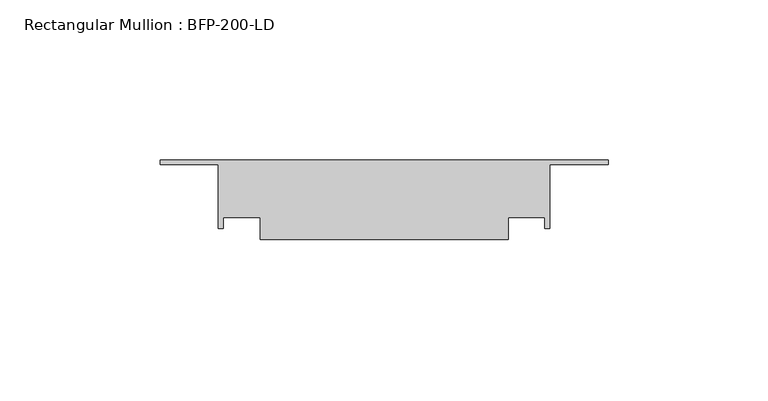
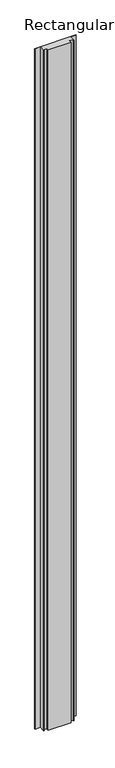
"""IFC4 building model written with IfcOpenShell, lengths in millimetres: member geometry, Rectangular Mullion : BFP-200-LD."""

from ifc_helpers import new_model, si_unit, frame, origin, place, context, project, spatial, polyline, outline, extrude, source, transform, mapped, element, save


def rectangular_mullion_bfp_200_ld_fc8aaace(model_context):
    return source(origin(), model_context, "Body", "SweptSolid", [
        extrude(outline(polyline([(-108.75, -45.0), (-108.75, -38.0), (-120.25, -38.0), (-120.25, -41.5), (-121.75, -41.5), (-121.75, -21.5), (-140.0, -21.5), (-140.0, -20.0), (0.0, -20.0), (0.0, -21.5), (-18.25, -21.5), (-18.25, -41.5), (-19.75, -41.5), (-19.75, -38.0), (-31.25, -38.0), (-31.25, -45.0), (-108.75, -45.0)])), frame((0.0, 0.0, -2450.0), z_axis=(0.0, 0.0, 1.0), x_axis=(1.0, 0.0, 0.0)), (0.0, 0.0, 1.0), 2450.0),
    ])


if __name__ == "__main__":
    model = new_model("IFC4")
    model_context = context("Model", 3, world=origin())
    ifc_project = project(units=[si_unit("LENGTHUNIT", "METRE", prefix="MILLI")], contexts=[model_context])
    site = spatial("IfcSite", under=ifc_project)
    building = spatial("IfcBuilding", under=site)
    placement = place(None, origin())
    rectangular_mullion_bfp_200_ld_shape = rectangular_mullion_bfp_200_ld_fc8aaace(model_context)
    element("IfcMember", 1, ObjectType="Rectangular Mullion : BFP-200-LD", at=placement, inside=building, context=model_context, shape_type="MappedRepresentation", body=[
        mapped(rectangular_mullion_bfp_200_ld_shape, transform((0.0, 0.0, 0.0), x_axis=(1.0, 0.0, 0.0), y_axis=(0.0, 1.0, 0.0), z_axis=(0.0, 0.0, 1.0))),
    ])
    save(model, "model.ifc")
